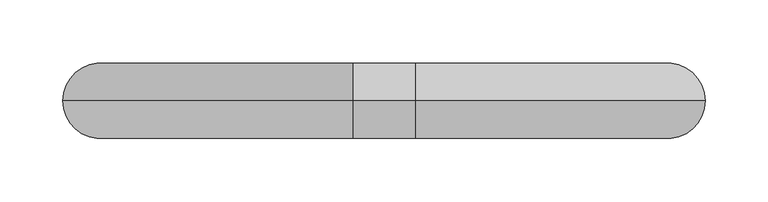
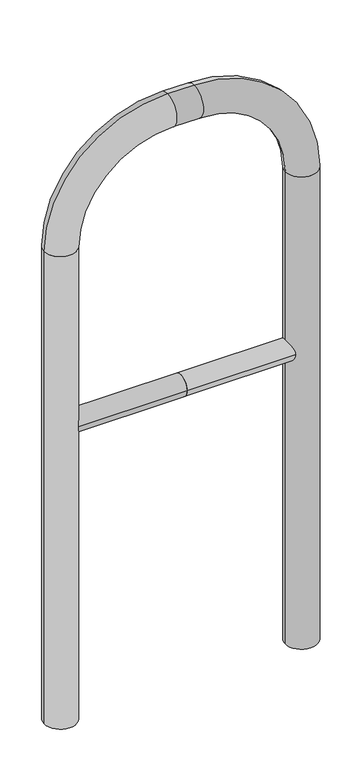
"""IFC4 building model written with IfcOpenShell, lengths in millimetres: proxy geometry."""

from ifc_helpers import new_model, si_unit, point, frame, frame_2d, origin, place, context, project, spatial, circle_curve, ellipse_curve, trimmed, segment, composite_curve, outline, extrude, source, transform, mapped, element, save
from ifc_brep_helpers import plane_surface, cylinder_surface, revolved_surface, advanced_brep


def generic_models_92a7e378(model_context):
    return source(origin(), model_context, "Body", "SolidModel", [
        extrude(outline(composite_curve([segment(trimmed(circle_curve(frame_2d((0.0, 498.4778375)), 20.0), [point((-20.0, 498.4778375))], [point((20.0, 498.4778375))], False, "CARTESIAN"), True, "CONTINUOUS"), segment(trimmed(circle_curve(frame_2d((0.0, 498.4778375)), 20.0), [point((20.0, 498.4778375))], [point((-20.0, 498.4778375))], False, "CARTESIAN"), True, "CONTINUOUS")], self_intersect=False)), frame((-224.8066286, 0.0, 0.0), z_axis=(1.0, 0.0, 0.0), x_axis=(0.0, 1.0, 0.0)), (0.0, 0.0, 1.0), 224.8066286),
        extrude(outline(composite_curve([segment(trimmed(circle_curve(frame_2d((0.0, 498.4778375)), 20.0), [point((-20.0, 498.4778375))], [point((20.0, 498.4778375))], False, "CARTESIAN"), True, "CONTINUOUS"), segment(trimmed(circle_curve(frame_2d((0.0, 498.4778375)), 20.0), [point((20.0, 498.4778375))], [point((-20.0, 498.4778375))], False, "CARTESIAN"), True, "CONTINUOUS")], self_intersect=False)), frame((0.0, 0.0, 0.0), z_axis=(1.0, 0.0, 0.0), x_axis=(0.0, 1.0, 0.0)), (0.0, 0.0, 1.0), 224.8066286),
        advanced_brep(
        [(-194.8066286, 0.0, -80.0), (-254.8066286, 0.0, -80.0), (-194.8066286, 0.0, 850.0), (-254.8066286, 0.0, 850.0), (-24.8066286, 0.0, 1080.0), (-24.8066286, 0.0, 1020.0), (24.8066286, 0.0, 1020.0), (24.8066286, 0.0, 1080.0), (254.8066286, 0.0, 850.0), (194.8066286, 0.0, 850.0), (194.8066286, 0.0, -80.0), (254.8066286, 0.0, -80.0)],
        [
            (0, 1, circle_curve(frame((-224.8066286, 0.0, -80.0), z_axis=(0.0, 0.0, -1.0), x_axis=(-1.0, 0.0, 0.0)), 30.0)),
            (1, 0, circle_curve(frame((-224.8066286, 0.0, -80.0), z_axis=(0.0, 0.0, -1.0), x_axis=(-1.0, 0.0, 0.0)), 30.0)),
            (0, 2),
            (2, 3, circle_curve(frame((-224.8066286, 0.0, 850.0), z_axis=(0.0, 0.0, -1.0), x_axis=(-1.0, 0.0, 0.0)), 30.0)),
            (3, 1),
            (3, 2, circle_curve(frame((-224.8066286, 0.0, 850.0), z_axis=(0.0, 0.0, -1.0), x_axis=(-1.0, 0.0, 0.0)), 30.0)),
            (4, 3, circle_curve(frame((-24.8066286, 0.0, 850.0), z_axis=(0.0, -1.0, 0.0), x_axis=(-1.0, 0.0, 0.0)), 230.0)),
            (2, 5, circle_curve(frame((-24.8066286, 0.0, 850.0), z_axis=(0.0, 1.0, 0.0), x_axis=(-1.0, 0.0, 0.0)), 170.0)),
            (5, 4, circle_curve(frame((-24.8066286, 0.0, 1050.0), z_axis=(-1.0, 0.0, 0.0), x_axis=(0.0, 0.0, 1.0)), 30.0)),
            (4, 5, circle_curve(frame((-24.8066286, 0.0, 1050.0), z_axis=(-1.0, 0.0, 0.0), x_axis=(0.0, 0.0, 1.0)), 30.0)),
            (5, 6),
            (6, 7, circle_curve(frame((24.8066286, 0.0, 1050.0), z_axis=(-1.0, 0.0, 0.0), x_axis=(0.0, 0.0, 1.0)), 30.0)),
            (7, 4),
            (7, 6, circle_curve(frame((24.8066286, 0.0, 1050.0), z_axis=(-1.0, 0.0, 0.0), x_axis=(0.0, 0.0, 1.0)), 30.0)),
            (8, 7, circle_curve(frame((24.8066286, 0.0, 850.0), z_axis=(0.0, -1.0, 0.0), x_axis=(0.0, 0.0, 1.0)), 230.0)),
            (6, 9, circle_curve(frame((24.8066286, 0.0, 850.0), z_axis=(0.0, 1.0, 0.0), x_axis=(0.0, 0.0, 1.0)), 170.0)),
            (9, 8, circle_curve(frame((224.8066286, 0.0, 850.0), z_axis=(0.0, 0.0, 1.0), x_axis=(1.0, 0.0, 0.0)), 30.0)),
            (8, 9, circle_curve(frame((224.8066286, 0.0, 850.0), z_axis=(0.0, 0.0, 1.0), x_axis=(1.0, 0.0, 0.0)), 30.0)),
            (10, 11, circle_curve(frame((224.8066286, 0.0, -80.0), z_axis=(0.0, 0.0, -1.0), x_axis=(1.0, 0.0, 0.0)), 30.0)),
            (11, 10, circle_curve(frame((224.8066286, 0.0, -80.0), z_axis=(0.0, 0.0, -1.0), x_axis=(1.0, 0.0, 0.0)), 30.0)),
            (9, 10),
            (11, 8),
        ],
        [
            plane_surface(frame((-224.8066286, 0.0, -80.0), z_axis=(0.0, 0.0, -1.0), x_axis=(0.0, -1.0, 0.0))),
            cylinder_surface(frame((-224.8066286, 0.0, -80.0), z_axis=(0.0, 0.0, -1.0), x_axis=(-1.0, 0.0, 0.0)), 30.0),
            revolved_surface(trimmed(ellipse_curve(frame((-224.8066286, 0.0, 850.0), z_axis=(0.0, 0.0, -1.0), x_axis=(-1.0, 0.0, 0.0)), 30.0, 30.0), [point((-194.8066286, 0.0, 850.0))], [point((-254.8066286, 0.0, 850.0))], True, "CARTESIAN"), (-24.8066286, 0.0, 850.0), (0.0, 1.0, 0.0)),
            revolved_surface(trimmed(ellipse_curve(frame((-224.8066286, 0.0, 850.0), z_axis=(0.0, 0.0, -1.0), x_axis=(-1.0, 0.0, 0.0)), 30.0, 30.0), [point((-254.8066286, 0.0, 850.0))], [point((-194.8066286, 0.0, 850.0))], True, "CARTESIAN"), (-24.8066286, 0.0, 850.0), (0.0, 1.0, 0.0)),
            cylinder_surface(frame((-24.8066286, 0.0, 1050.0), z_axis=(-1.0, 0.0, 0.0), x_axis=(0.0, 0.0, 1.0)), 30.0),
            revolved_surface(trimmed(ellipse_curve(frame((24.8066286, 0.0, 1050.0), z_axis=(-1.0, 0.0, 0.0), x_axis=(0.0, 0.0, 1.0)), 30.0, 30.0), [point((24.8066286, 0.0, 1020.0))], [point((24.8066286, 0.0, 1080.0))], True, "CARTESIAN"), (24.8066286, 0.0, 850.0), (0.0, 1.0, 0.0)),
            revolved_surface(trimmed(ellipse_curve(frame((24.8066286, 0.0, 1050.0), z_axis=(-1.0, 0.0, 0.0), x_axis=(0.0, 0.0, 1.0)), 30.0, 30.0), [point((24.8066286, 0.0, 1080.0))], [point((24.8066286, 0.0, 1020.0))], True, "CARTESIAN"), (24.8066286, 0.0, 850.0), (0.0, 1.0, 0.0)),
            plane_surface(frame((224.8066286, 0.0, -80.0), z_axis=(0.0, 0.0, -1.0), x_axis=(0.0, -1.0, 0.0))),
            cylinder_surface(frame((224.8066286, 0.0, 850.0), z_axis=(0.0, 0.0, 1.0), x_axis=(1.0, 0.0, 0.0)), 30.0),
        ],
        [
            (0, [[1, 2]]),
            (1, [[-1, 3, 4, 5]]),
            (1, [[-2, -5, 6, -3]]),
            (2, [[7, -4, 8, 9]]),
            (3, [[-8, -6, -7, 10]]),
            (4, [[-9, 11, 12, 13]]),
            (4, [[-10, -13, 14, -11]]),
            (5, [[15, -12, 16, 17]]),
            (6, [[-16, -14, -15, 18]]),
            (7, [[19, 20]]),
            (8, [[-17, 21, -20, 22]]),
            (8, [[-18, -22, -19, -21]]),
        ],
    ),
    ])


if __name__ == "__main__":
    model = new_model("IFC4")
    model_context = context("Model", 3, world=origin())
    ifc_project = project(units=[si_unit("LENGTHUNIT", "METRE", prefix="MILLI")], contexts=[model_context])
    site = spatial("IfcSite", under=ifc_project)
    building = spatial("IfcBuilding", under=site)
    placement = place(None, origin())
    generic_models_shape = generic_models_92a7e378(model_context)
    element("IfcBuildingElementProxy", 1, Name="Generic Models", at=placement, inside=building, context=model_context, shape_type="MappedRepresentation", body=[
        mapped(generic_models_shape, transform((0.0, 0.0, 0.0), x_axis=(1.0, 0.0, 0.0), y_axis=(0.0, 1.0, 0.0), z_axis=(0.0, 0.0, 1.0))),
    ])
    save(model, "model.ifc")
